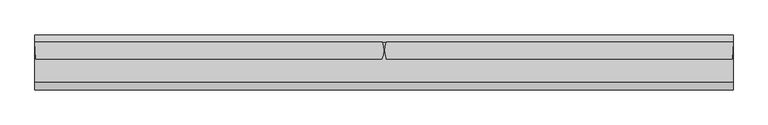
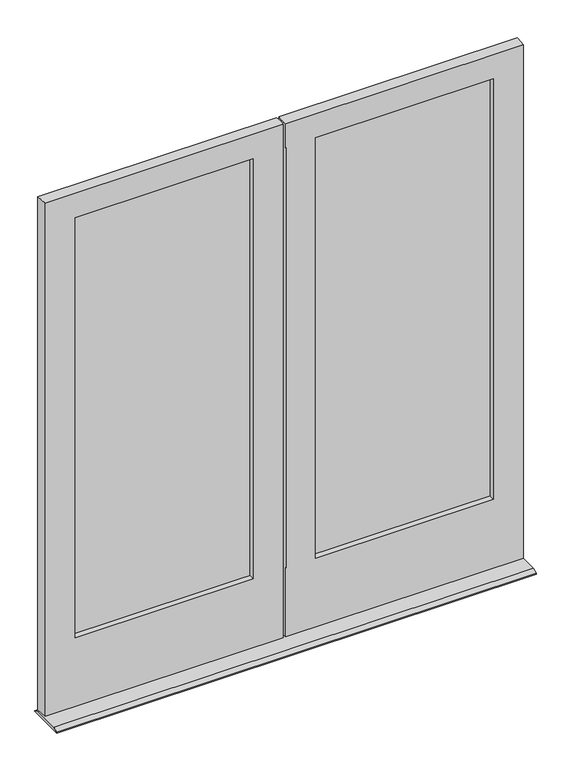
"""IFC4 building model written with IfcOpenShell, lengths in millimetres: plate geometry."""

from ifc_helpers import new_model, si_unit, frame, origin, place, context, project, spatial, polyline, circle_curve, outline, extrude, source, transform, mapped, element, save
from ifc_brep_helpers import plane_surface, cylinder_surface, advanced_brep


def plate_5eaf5b4a(model_context):
    return source(origin(), model_context, "Body", "SolidModel", [
        extrude(outline(polyline([(-102.39375, -24.1173), (-805.259375, -24.1173), (-805.259375, -20.9423), (-102.39375, -20.9423), (-102.39375, -24.1173)])), frame((0.0, 0.0, 277.415625), z_axis=(0.0, 0.0, 1.0), x_axis=(1.0, 0.0, 0.0)), (0.0, 0.0, 1.0), 1707.753125),
        extrude(outline(polyline([(-805.259375, -13.1953), (-102.39375, -13.1953), (-102.39375, -16.3703), (-805.259375, -16.3703), (-805.259375, -13.1953)])), frame((0.0, 0.0, 277.415625), z_axis=(0.0, 0.0, 1.0), x_axis=(1.0, 0.0, 0.0)), (0.0, 0.0, 1.0), 1707.753125),
        extrude(outline(polyline([(805.259375, -24.1173), (102.39375, -24.1173), (102.39375, -20.9423), (805.259375, -20.9423), (805.259375, -24.1173)])), frame((0.0, 0.0, 277.415625), z_axis=(0.0, 0.0, 1.0), x_axis=(1.0, 0.0, 0.0)), (0.0, 0.0, 1.0), 1707.753125),
        extrude(outline(polyline([(102.39375, -13.1953), (805.259375, -13.1953), (805.259375, -16.3703), (102.39375, -16.3703), (102.39375, -13.1953)])), frame((0.0, 0.0, 277.415625), z_axis=(0.0, 0.0, 1.0), x_axis=(1.0, 0.0, 0.0)), (0.0, 0.0, 1.0), 1707.753125),
        advanced_brep(
        [(-785.4155589, -13.1953, 1965.325), (-785.4155589, -1.5875, 1965.325), (-122.2375, -1.5875, 1965.325), (-122.2375, -13.1953, 1965.325), (-805.259375, -24.1173, 1985.16875), (-805.259375, -13.1953, 1985.16875), (-102.39375, -13.1953, 1985.16875), (-102.39375, -24.1173, 1985.16875), (-790.1907637, -46.0375, 1970.1002), (-790.1907637, -24.1173, 1970.1002), (-117.4623, -24.1173, 1970.1002), (-117.4623, -46.0375, 1970.1002), (-785.4155589, -13.1953, 296.8621956), (-122.2375, -13.1953, 296.8621956), (-122.2375, -1.5875109, 296.8621956), (-785.4155589, -1.5875, 296.8621956), (-102.39375, -13.1953, 277.415625), (-805.259375, -13.1953, 277.415625), (-805.259375, -24.1173, 277.415625), (-102.39375, -24.1173, 277.415625), (-790.1907637, -46.0375, 292.0869956), (-117.4623, -46.0375, 292.0869956), (-117.4623, -24.1172113, 292.0869956), (-790.1907637, -24.1173, 292.0869956), (-903.3018725, -46.0375, 17.4625), (-903.3018725, -46.0375, 2066.925), (-906.0704725, -1.5875, 2066.925), (-906.0704725, -1.5875, 17.4625), (-4.4292042, -1.5875127, 2066.925), (-5.6038924, -46.0375, 2066.925), (-5.6038924, -46.0375, 17.4625), (-4.4292042, -1.5875127, 17.4625)],
        [
            (0, 1),
            (1, 2),
            (2, 3),
            (3, 0),
            (4, 5),
            (5, 6),
            (6, 7),
            (7, 4),
            (8, 9),
            (9, 10),
            (10, 11),
            (11, 8),
            (12, 13),
            (13, 14),
            (14, 15),
            (15, 12),
            (16, 17),
            (17, 18),
            (18, 19),
            (19, 16),
            (20, 21),
            (21, 22),
            (22, 23),
            (23, 20),
            (24, 25),
            (25, 26),
            (26, 27),
            (27, 24),
            (8, 20),
            (23, 9),
            (17, 5),
            (4, 18),
            (0, 12),
            (15, 1),
            (2, 14),
            (13, 3),
            (19, 7),
            (6, 16),
            (10, 22),
            (21, 11),
            (28, 29, circle_curve(frame((-65.0875, -22.225, 2066.925), z_axis=(0.0, 0.0, -1.0), x_axis=(0.0, -1.0, 0.0)), 64.0728861)),
            (29, 30),
            (30, 31, circle_curve(frame((-65.0875, -22.225, 17.4625), z_axis=(0.0, 0.0, 1.0), x_axis=(0.0, -1.0, 0.0)), 64.0728861)),
            (31, 28),
            (29, 25),
            (24, 30),
            (26, 28),
            (31, 27),
        ],
        [
            plane_surface(frame((-903.3018725, -1.5875, 1965.325), z_axis=(0.0, 0.0, -1.0), x_axis=(1.0, 0.0, 0.0))),
            plane_surface(frame((-903.3018725, -13.1953, 1985.16875), z_axis=(0.0, 0.0, -1.0), x_axis=(1.0, 0.0, 0.0))),
            plane_surface(frame((-903.3018725, -24.1173, 1970.1002), z_axis=(0.0, 0.0, -1.0), x_axis=(1.0, 0.0, 0.0))),
            plane_surface(frame((-5.5889985, -1.5875, 296.8621956), z_axis=(0.0, 0.0, 1.0), x_axis=(-1.0, 0.0, 0.0))),
            plane_surface(frame((-5.5889985, -13.1953, 277.415625), z_axis=(0.0, 0.0, 1.0), x_axis=(-1.0, 0.0, 0.0))),
            plane_surface(frame((-5.5889985, -24.1173, 292.0869956), z_axis=(0.0, 0.0, 1.0), x_axis=(-1.0, 0.0, 0.0))),
            plane_surface(frame((-906.0704725, -1.5875, 2066.925), z_axis=(-0.998065870687917, -0.062165245660017354, 0.0), x_axis=(0.0, 0.0, -1.0))),
            plane_surface(frame((-790.1907637, -46.0375, 2066.925), z_axis=(1.0, 0.0, 0.0), x_axis=(0.0, 0.0, -1.0))),
            plane_surface(frame((-805.259375, -24.1173, 2066.925), z_axis=(1.0, 0.0, 0.0), x_axis=(0.0, 0.0, -1.0))),
            plane_surface(frame((-785.4155589, -13.1953, 2066.925), z_axis=(1.0, 0.0, 0.0), x_axis=(0.0, 0.0, -1.0))),
            plane_surface(frame((-122.2375, -1.5875127, 2066.925), z_axis=(-1.0, 0.0, 0.0), x_axis=(0.0, 0.0, -1.0))),
            plane_surface(frame((-102.39375, -13.1920658, 2066.925), z_axis=(-1.0, 0.0, 0.0), x_axis=(0.0, 0.0, -1.0))),
            plane_surface(frame((-117.4623, -24.1171967, 2066.925), z_axis=(-1.0, 0.0, 0.0), x_axis=(0.0, 0.0, -1.0))),
            cylinder_surface(frame((-65.0875, -22.225, 2066.925), z_axis=(0.0, 0.0, 1.0), x_axis=(0.0, -1.0, 0.0)), 64.0728861),
            plane_surface(frame((-903.3018725, -46.0375, 2009.8783598), z_axis=(0.0, -1.0, 0.0), x_axis=(1.0, 0.0, 0.0))),
            plane_surface(frame((-903.3018725, -1.5875, 2009.8783598), z_axis=(0.0, 1.0, 0.0), x_axis=(1.0, 0.0, 0.0))),
            plane_surface(frame((-903.3018725, -13.1953, 1965.325), z_axis=(0.0, -1.0, 0.0), x_axis=(1.0, 0.0, 0.0))),
            plane_surface(frame((-903.3018725, -24.1173, 1985.16875), z_axis=(0.0, 1.0, 0.0), x_axis=(1.0, 0.0, 0.0))),
            plane_surface(frame((-903.3018725, -46.0375, 2066.925), z_axis=(0.0, 0.0, 1.0), x_axis=(1.0, 0.0, 0.0))),
            plane_surface(frame((-895.35, -18.6563, 17.4625), z_axis=(0.0, 0.0, -1.0), x_axis=(0.0, -1.0, 0.0))),
        ],
        [
            (0, [[1, 2, 3, 4]]),
            (1, [[5, 6, 7, 8]]),
            (2, [[9, 10, 11, 12]]),
            (3, [[13, 14, 15, 16]]),
            (4, [[17, 18, 19, 20]]),
            (5, [[21, 22, 23, 24]]),
            (6, [[25, 26, 27, 28]]),
            (7, [[-9, 29, -24, 30]]),
            (8, [[31, -5, 32, -18]]),
            (9, [[-1, 33, -16, 34]]),
            (10, [[-3, 35, -14, 36]]),
            (11, [[37, -7, 38, -20]]),
            (12, [[-11, 39, -22, 40]]),
            (13, [[41, 42, 43, 44]]),
            (14, [[45, -25, 46, -42], [-40, -21, -29, -12]]),
            (15, [[-27, 47, -44, 48], [-34, -15, -35, -2]]),
            (16, [[-6, -31, -17, -38], [-4, -36, -13, -33]]),
            (17, [[-8, -37, -19, -32], [-10, -30, -23, -39]]),
            (18, [[-26, -45, -41, -47]]),
            (19, [[-46, -28, -48, -43]]),
        ],
    ),
        advanced_brep(
        [(117.4623, -24.1171967, 1970.1002), (117.4623, -46.0375, 1970.1002), (117.4623, -46.0375, 292.0869956), (117.4623, -24.1171967, 292.0869956), (102.39375, -13.1920658, 1985.16875), (102.39375, -24.1171967, 1985.16875), (102.39375, -24.1171967, 277.415625), (102.39375, -13.1920658, 277.415625), (122.2375, -1.5875127, 1965.325), (122.2375, -13.1920658, 1965.325), (122.2375, -13.1920658, 296.8621956), (122.2375, -1.5875127, 296.8621956), (785.415625, -13.1948119, 1965.325), (785.415625, -1.5875019, 1965.325), (785.415625, -1.5875112, 296.8621956), (785.415625, -13.1920658, 296.8621956), (805.259375, -24.1172874, 1985.16875), (805.259375, -13.1949041, 1985.16875), (805.259375, -13.1920658, 277.415625), (805.259375, -24.1171967, 277.415625), (790.190825, -46.0375, 1970.1002), (790.190825, -24.1172851, 1970.1002), (790.190825, -24.1172092, 292.0869956), (790.190825, -46.0375, 292.0869956), (906.0687992, -1.5875127, 2066.925), (903.3002, -46.0375, 2066.925), (903.3002, -46.0375, 17.4625), (906.0687992, -1.5875127, 17.4625), (6.8022474, -46.0375, 1970.1002), (5.5889985, -46.0375, 1970.1002), (5.5889985, -42.8195172, 1970.1002), (5.5889985, -46.0375, 292.0869956), (6.8022474, -46.0375, 292.0869956), (5.5889985, -42.8195172, 292.0869956), (5.5889985, -42.8195172, 2066.925), (5.6038893, -1.5875127, 2066.925), (5.6038893, -1.5875127, 17.4625), (5.5889985, -42.8195172, 17.4625), (5.5889985, -46.0375, 2066.925), (5.5889985, -46.0375, 17.4625)],
        [
            (0, 1),
            (1, 2),
            (2, 3),
            (3, 0),
            (4, 5),
            (5, 6),
            (6, 7),
            (7, 4),
            (8, 9),
            (9, 10),
            (10, 11),
            (11, 8),
            (12, 13),
            (13, 14),
            (14, 15),
            (15, 12),
            (16, 17),
            (17, 18),
            (18, 19),
            (19, 16),
            (20, 21),
            (21, 22),
            (22, 23),
            (23, 20),
            (24, 25),
            (25, 26),
            (26, 27),
            (27, 24),
            (8, 13),
            (12, 9),
            (4, 17),
            (16, 5),
            (0, 21),
            (20, 1),
            (28, 29),
            (29, 30),
            (30, 28, circle_curve(frame((65.0875, -22.225, 1970.1002), z_axis=(0.0, 0.0, 1.0), x_axis=(0.0, -1.0, 0.0)), 62.9619395)),
            (10, 15),
            (14, 11),
            (6, 19),
            (18, 7),
            (31, 32),
            (32, 33, circle_curve(frame((65.0875, -22.225, 292.0869956), z_axis=(0.0, 0.0, -1.0), x_axis=(0.0, -1.0, 0.0)), 62.9619395)),
            (33, 31),
            (2, 23),
            (22, 3),
            (34, 35, circle_curve(frame((65.0875, -22.225, 2066.925), z_axis=(0.0, 0.0, -1.0), x_axis=(0.0, -1.0, 0.0)), 62.9619395)),
            (35, 36),
            (36, 37, circle_curve(frame((65.0875, -22.225, 17.4625), z_axis=(0.0, 0.0, 1.0), x_axis=(0.0, -1.0, 0.0)), 62.9619395)),
            (37, 33),
            (32, 28),
            (30, 34),
            (29, 38),
            (38, 34),
            (27, 36),
            (35, 24),
            (31, 39),
            (39, 26),
            (25, 38),
            (37, 39),
        ],
        [
            plane_surface(frame((117.4623, -46.0375, 2066.925), z_axis=(1.0, 0.0, 0.0), x_axis=(0.0, 0.0, -1.0))),
            plane_surface(frame((102.39375, -24.1171967, 2066.925), z_axis=(1.0, 0.0, 0.0), x_axis=(0.0, 0.0, -1.0))),
            plane_surface(frame((122.2375, -13.1920658, 2066.925), z_axis=(1.0, 0.0, 0.0), x_axis=(0.0, 0.0, -1.0))),
            plane_surface(frame((785.415625, -1.5875127, 2066.925), z_axis=(-1.0, 0.0, 0.0), x_axis=(0.0, 0.0, -1.0))),
            plane_surface(frame((805.259375, -13.1920658, 2066.925), z_axis=(-1.0, 0.0, 0.0), x_axis=(0.0, 0.0, -1.0))),
            plane_surface(frame((790.190825, -24.1171967, 2066.925), z_axis=(-1.0, 0.0, 0.0), x_axis=(0.0, 0.0, -1.0))),
            plane_surface(frame((903.3002, -46.0375, 2066.925), z_axis=(0.9980658706878365, -0.06216524566130967, 0.0), x_axis=(0.0, 0.0, -1.0))),
            plane_surface(frame((5.5889985, -1.5875, 1965.325), z_axis=(0.0, 0.0, -1.0), x_axis=(1.0, 0.0, 0.0))),
            plane_surface(frame((5.5889985, -13.1953, 1985.16875), z_axis=(0.0, 0.0, -1.0), x_axis=(1.0, 0.0, 0.0))),
            plane_surface(frame((5.5889985, -24.1173, 1970.1002), z_axis=(0.0, 0.0, -1.0), x_axis=(1.0, 0.0, 0.0))),
            plane_surface(frame((903.3002, -1.5875, 296.8621956), z_axis=(0.0, 0.0, 1.0), x_axis=(-1.0, 0.0, 0.0))),
            plane_surface(frame((903.3002, -13.1953, 277.415625), z_axis=(0.0, 0.0, 1.0), x_axis=(-1.0, 0.0, 0.0))),
            plane_surface(frame((903.3002, -24.1173, 292.0869956), z_axis=(0.0, 0.0, 1.0), x_axis=(-1.0, 0.0, 0.0))),
            cylinder_surface(frame((65.0875, -22.225, 2066.925), z_axis=(0.0, 0.0, 1.0), x_axis=(0.0, -1.0, 0.0)), 62.9619395),
            plane_surface(frame((5.5889985, -18.6563, 2082.8), z_axis=(-1.0, 0.0, 0.0), x_axis=(0.0, -1.0, 0.0))),
            plane_surface(frame((55.4591402, -1.5875127, 2066.925), z_axis=(0.0, 1.0, 0.0), x_axis=(0.0, 0.0, -1.0))),
            plane_surface(frame((55.4591402, -46.0375, 2066.925), z_axis=(0.0, -1.0, 0.0), x_axis=(0.0, 0.0, -1.0))),
            plane_surface(frame((117.4623, -24.1171967, 2066.925), z_axis=(0.0, 1.0, 0.0), x_axis=(0.0, 0.0, -1.0))),
            plane_surface(frame((102.39375, -13.1920658, 2066.925), z_axis=(0.0, -1.0, 0.0), x_axis=(0.0, 0.0, -1.0))),
            plane_surface(frame((5.5889985, -18.6563, 0.0), z_axis=(-1.0, 0.0, 0.0), x_axis=(0.0, -1.0, 0.0))),
            plane_surface(frame((-903.3018725, -46.0375, 2066.925), z_axis=(0.0, 0.0, 1.0), x_axis=(1.0, 0.0, 0.0))),
            plane_surface(frame((-895.35, -18.6563, 17.4625), z_axis=(0.0, 0.0, -1.0), x_axis=(0.0, -1.0, 0.0))),
        ],
        [
            (0, [[1, 2, 3, 4]]),
            (1, [[5, 6, 7, 8]]),
            (2, [[9, 10, 11, 12]]),
            (3, [[13, 14, 15, 16]]),
            (4, [[17, 18, 19, 20]]),
            (5, [[21, 22, 23, 24]]),
            (6, [[25, 26, 27, 28]]),
            (7, [[-9, 29, -13, 30]]),
            (8, [[-5, 31, -17, 32]]),
            (9, [[-1, 33, -21, 34]]),
            (9, [[35, 36, 37]]),
            (10, [[38, -15, 39, -11]]),
            (11, [[-7, 40, -19, 41]]),
            (12, [[42, 43, 44]]),
            (12, [[45, -23, 46, -3]]),
            (13, [[47, 48, 49, 50, -43, 51, -37, 52]]),
            (14, [[53, 54, -52, -36]]),
            (15, [[-28, 55, -48, 56], [-29, -12, -39, -14]]),
            (16, [[-53, -35, -51, -42, 57, 58, -26, 59], [-34, -24, -45, -2]]),
            (17, [[-32, -20, -40, -6], [-33, -4, -46, -22]]),
            (18, [[-31, -8, -41, -18], [-30, -16, -38, -10]]),
            (19, [[-57, -44, -50, 60]]),
            (20, [[-47, -54, -59, -25, -56]]),
            (21, [[-27, -58, -60, -49, -55]]),
        ],
    ),
        extrude(outline(polyline([(-1.5881087, 12.7), (17.4625, 3.1746956), (17.4625, 0.0), (-125.4125, 0.0), (-125.4125, 3.1746956), (-106.3618913, 12.7), (-1.5881087, 12.7)])), frame((-906.0704725, 0.0, 0.0), z_axis=(1.0, 0.0, 0.0), x_axis=(0.0, 1.0, 0.0)), (0.0, 0.0, 1.0), 1812.1392717),
    ])


if __name__ == "__main__":
    model = new_model("IFC4")
    model_context = context("Model", 3, world=origin())
    ifc_project = project(units=[si_unit("LENGTHUNIT", "METRE", prefix="MILLI")], contexts=[model_context])
    site = spatial("IfcSite", under=ifc_project)
    building = spatial("IfcBuilding", under=site)
    placement = place(None, origin())
    plate_shape = plate_5eaf5b4a(model_context)
    element("IfcPlate", 1, at=placement, inside=building, context=model_context, shape_type="MappedRepresentation", body=[
        mapped(plate_shape, transform((0.0, 0.0, 0.0), x_axis=(1.0, 0.0, 0.0), y_axis=(0.0, 1.0, 0.0), z_axis=(0.0, 0.0, 1.0))),
    ])
    save(model, "model.ifc")
